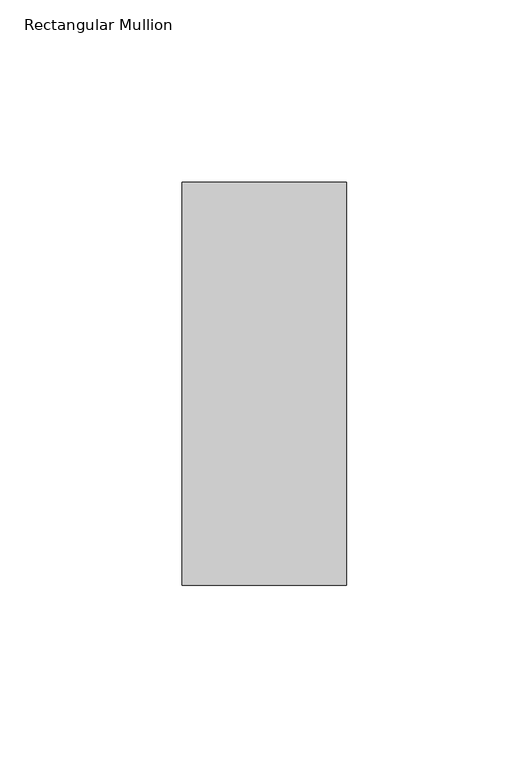
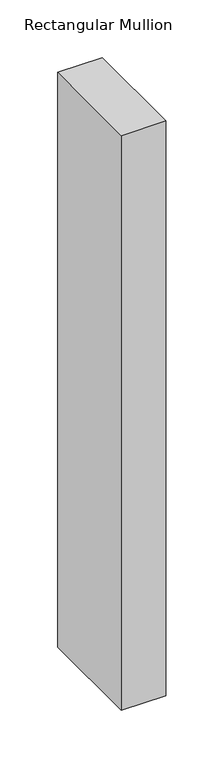
"""IFC4 building model written with IfcOpenShell, lengths in millimetres: member geometry, Rectangular Mullion."""

from ifc_helpers import new_model, si_unit, frame, origin, place, context, project, spatial, polyline, outline, extrude, source, transform, mapped, element, save


def rectangular_mullion_827ca8e6(model_context):
    return source(origin(), model_context, "Body", "SweptSolid", [
        extrude(outline(polyline([(22.5, -70.7), (-22.5, -70.7), (-22.5, 39.7), (22.5, 39.7), (22.5, -70.7)])), frame((0.0, 0.0, -609.6), z_axis=(0.0, 0.0, 1.0), x_axis=(1.0, 0.0, 0.0)), (0.0, 0.0, 1.0), 609.6),
    ])


if __name__ == "__main__":
    model = new_model("IFC4")
    model_context = context("Model", 3, world=origin())
    ifc_project = project(units=[si_unit("LENGTHUNIT", "METRE", prefix="MILLI")], contexts=[model_context])
    site = spatial("IfcSite", under=ifc_project)
    building = spatial("IfcBuilding", under=site)
    placement = place(None, origin())
    rectangular_mullion_shape = rectangular_mullion_827ca8e6(model_context)
    element("IfcMember", 1, ObjectType="Rectangular Mullion", at=placement, inside=building, context=model_context, shape_type="MappedRepresentation", body=[
        mapped(rectangular_mullion_shape, transform((0.0, 0.0, 0.0), x_axis=(1.0, 0.0, 0.0), y_axis=(0.0, 1.0, 0.0), z_axis=(0.0, 0.0, 1.0))),
    ])
    save(model, "model.ifc")
